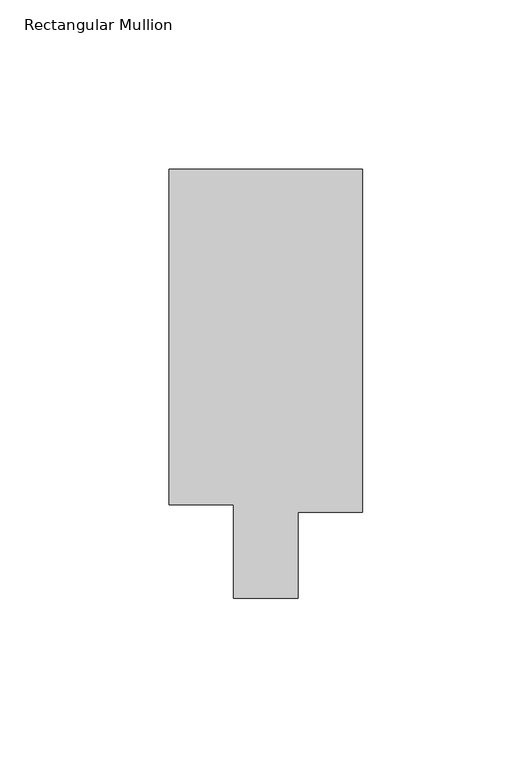
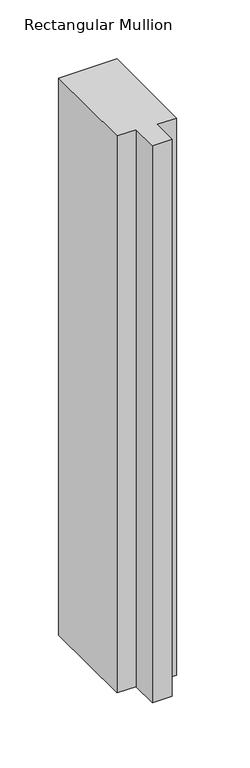
"""IFC4 building model written with IfcOpenShell, lengths in millimetres: member geometry, Rectangular Mullion."""

from ifc_helpers import new_model, si_unit, frame, origin, place, context, project, spatial, polyline, outline, extrude, source, transform, mapped, element, save


def rectangular_mullion_78935962(model_context):
    return source(origin(), model_context, "Body", "SweptSolid", [
        extrude(outline(polyline([(-57.15, 138.3252808), (0.0, 138.3252808), (0.0, 37.1038438), (-19.05, 37.1038438), (-19.05, 11.7038438), (-38.1, 11.7038438), (-38.1, 39.3898438), (-57.15, 39.3898437), (-57.15, 138.3252808)])), frame((0.0, 0.0, -577.85), z_axis=(0.0, 0.0, 1.0), x_axis=(1.0, 0.0, 0.0)), (0.0, 0.0, 1.0), 577.85),
    ])


if __name__ == "__main__":
    model = new_model("IFC4")
    model_context = context("Model", 3, world=origin())
    ifc_project = project(units=[si_unit("LENGTHUNIT", "METRE", prefix="MILLI")], contexts=[model_context])
    site = spatial("IfcSite", under=ifc_project)
    building = spatial("IfcBuilding", under=site)
    placement = place(None, origin())
    rectangular_mullion_shape = rectangular_mullion_78935962(model_context)
    element("IfcMember", 1, ObjectType="Rectangular Mullion", at=placement, inside=building, context=model_context, shape_type="MappedRepresentation", body=[
        mapped(rectangular_mullion_shape, transform((0.0, 0.0, 0.0), x_axis=(1.0, 0.0, 0.0), y_axis=(0.0, 1.0, 0.0), z_axis=(0.0, 0.0, 1.0))),
    ])
    save(model, "model.ifc")
